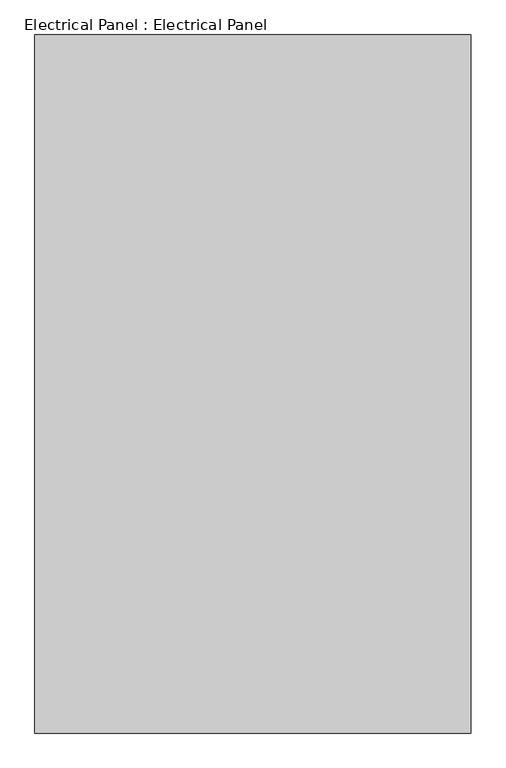
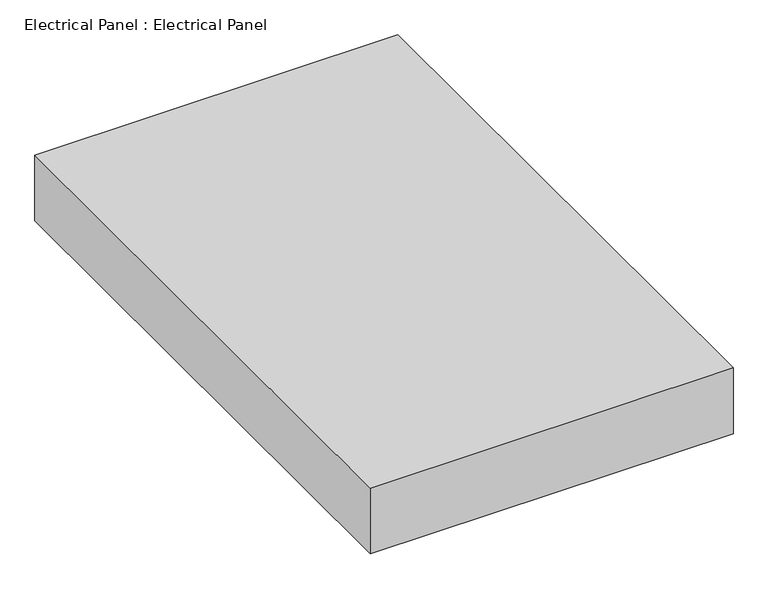
"""IFC4 building model written with IfcOpenShell, lengths in millimetres: proxy geometry, Electrical Panel : Electrical Panel."""

from ifc_helpers import new_model, si_unit, origin, origin_with_axes, place, context, project, spatial, polyline, outline, extrude, source, transform, mapped, element, save


def electrical_panel_electrical_panel_72ee89a3(model_context):
    return source(origin(), model_context, "Body", "SweptSolid", [
        extrude(outline(polyline([(381.0, 1219.2), (381.0, 0.0), (-381.0, 0.0), (-381.0, 1219.2), (381.0, 1219.2)])), origin_with_axes(), (0.0, 0.0, 1.0), 146.05),
    ])


if __name__ == "__main__":
    model = new_model("IFC4")
    model_context = context("Model", 3, world=origin())
    ifc_project = project(units=[si_unit("LENGTHUNIT", "METRE", prefix="MILLI")], contexts=[model_context])
    site = spatial("IfcSite", under=ifc_project)
    building = spatial("IfcBuilding", under=site)
    placement = place(None, origin())
    electrical_panel_electrical_panel_shape = electrical_panel_electrical_panel_72ee89a3(model_context)
    element("IfcBuildingElementProxy", 1, Name="Electrical Panel : Electrical Panel", ObjectType="Electrical Panel : Electrical Panel", at=placement, inside=building, context=model_context, shape_type="MappedRepresentation", body=[
        mapped(electrical_panel_electrical_panel_shape, transform((0.0, 0.0, 0.0), x_axis=(1.0, 0.0, 0.0), y_axis=(0.0, 1.0, 0.0), z_axis=(0.0, 0.0, 1.0))),
    ])
    save(model, "model.ifc")
